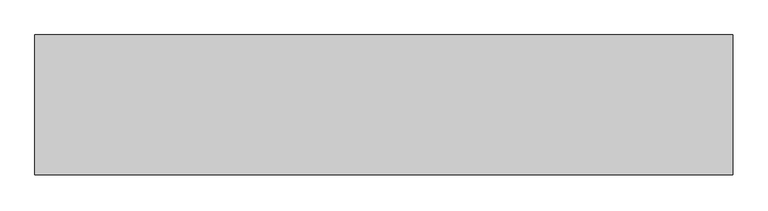
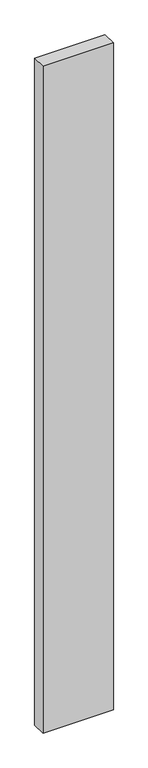
"""IFC4 building model written with IfcOpenShell, lengths in millimetres: proxy geometry."""

from ifc_helpers import new_model, si_unit, origin, origin_with_axes, place, context, project, spatial, polyline, outline, extrude, source, transform, mapped, element, save


def generic_models_481050c4(model_context):
    return source(origin(), model_context, "Body", "SweptSolid", [
        extrude(outline(polyline([(1000.0, 200.0), (1000.0, 0.0), (0.0, 0.0), (0.0, 200.0), (1000.0, 200.0)])), origin_with_axes(), (0.0, 0.0, 1.0), 10000.0),
    ])


if __name__ == "__main__":
    model = new_model("IFC4")
    model_context = context("Model", 3, world=origin())
    ifc_project = project(units=[si_unit("LENGTHUNIT", "METRE", prefix="MILLI")], contexts=[model_context])
    site = spatial("IfcSite", under=ifc_project)
    building = spatial("IfcBuilding", under=site)
    placement = place(None, origin())
    generic_models_shape = generic_models_481050c4(model_context)
    element("IfcBuildingElementProxy", 1, Name="Generic Models", at=placement, inside=building, context=model_context, shape_type="MappedRepresentation", body=[
        mapped(generic_models_shape, transform((0.0, 0.0, 0.0), x_axis=(1.0, 0.0, 0.0), y_axis=(0.0, 1.0, 0.0), z_axis=(0.0, 0.0, 1.0))),
    ])
    save(model, "model.ifc")
